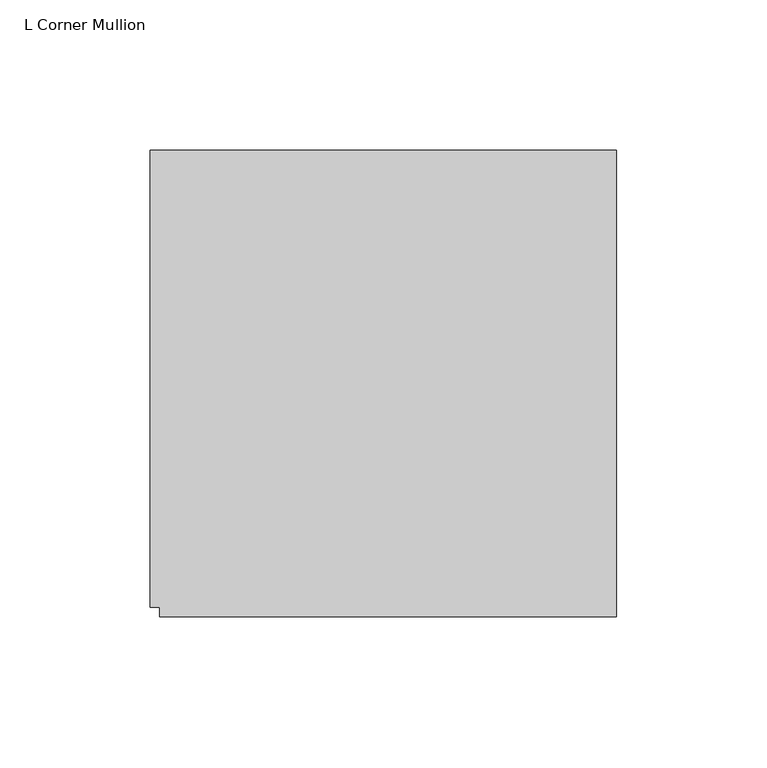
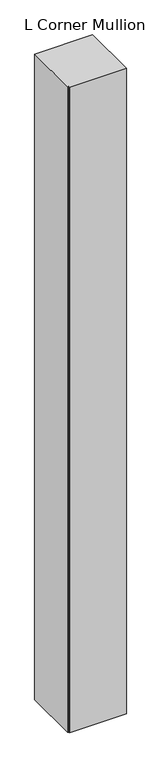
"""IFC4 building model written with IfcOpenShell, lengths in millimetres: member geometry, L Corner Mullion."""

import ifcopenshell
import ifcopenshell.guid

model = None  # the IFC model being written
_history = None  # IfcOwnerHistory: only IFC2X3 demands one
_inside = {}  # id of a spatial element -> (the spatial element, [elements in it])
_under = {}  # id of a project, library or spatial element -> (it, [spatial elements below it])
_declared = {}  # id of a project -> (the project, [libraries it declares])
_typed = {}  # id of a type object -> (the type object, [elements of that type])
_made_of = {}  # id of a material, layer set ... -> (it, [elements and type objects made of it])


def new_model(schema):
    """Start an empty IFC model of exactly this schema.

    Asked for "IFC4X3", IfcOpenShell would pick the latest addendum, in which some entities
    have other attributes; the version numbers below select the first issue.
    IFC2X3 requires an IfcOwnerHistory on every rooted entity: one is made here for all.
    """
    global model, _history
    if schema == "IFC4X3":
        model = ifcopenshell.file(schema_version=(4, 3, 0, 0))
    else:
        model = ifcopenshell.file(schema=schema)
    _inside.clear()
    _under.clear()
    _declared.clear()
    _typed.clear()
    _made_of.clear()
    _history = None
    if model.schema == "IFC2X3":
        org = make("IfcOrganization", Name="unknown")
        user = make(
            "IfcPersonAndOrganization",
            ThePerson=make("IfcPerson", FamilyName="unknown"),
            TheOrganization=org,
        )
        app = make(
            "IfcApplication",
            ApplicationDeveloper=org,
            Version="unknown",
            ApplicationFullName="unknown",
            ApplicationIdentifier="unknown",
        )
        _history = make(
            "IfcOwnerHistory",
            OwningUser=user,
            OwningApplication=app,
            ChangeAction="ADDED",
            CreationDate=0,
        )
    return model


def make(cls, **values):
    """One entity of the class cls with the attributes given. An attribute that is None is left unset."""
    return model.create_entity(
        cls, **{name: value for name, value in values.items() if value is not None}
    )


def rooted(cls, **values):
    """An entity with a GlobalId (a new one), such as an element, a storey or a relation."""
    return make(cls, GlobalId=ifcopenshell.guid.new(), OwnerHistory=_history, **values)


def si_unit(unit_type, name, prefix=None):
    """IfcSIUnit, for example si_unit("LENGTHUNIT", "METRE", prefix="MILLI")."""
    return make("IfcSIUnit", UnitType=unit_type, Prefix=prefix, Name=name)


def assignment(units):
    """IfcUnitAssignment: the units of a project."""
    return None if units is None else make("IfcUnitAssignment", Units=units)


def point(xyz):
    """IfcCartesianPoint."""
    return None if xyz is None else make("IfcCartesianPoint", Coordinates=xyz)


def direction(xyz):
    """IfcDirection."""
    return None if xyz is None else make("IfcDirection", DirectionRatios=xyz)


def frame(location, z_axis=None, x_axis=None):
    """IfcAxis2Placement3D, a coordinate frame: its origin and axes. An axis left out is left unset."""
    return make(
        "IfcAxis2Placement3D",
        Location=point(location),
        Axis=direction(z_axis),
        RefDirection=direction(x_axis),
    )


def origin():
    """The frame at (0, 0, 0) with its axes left unset."""
    return frame((0.0, 0.0, 0.0))


def place(relative_to, where):
    """IfcLocalPlacement: puts the frame where relative to a parent placement (None: the world)."""
    return make(
        "IfcLocalPlacement", PlacementRelTo=relative_to, RelativePlacement=where
    )


def context(
    kind, dimensions, precision=None, world=None, true_north=None, identifier=None
):
    """IfcGeometricRepresentationContext, for example the 3D "Model" context."""
    return make(
        "IfcGeometricRepresentationContext",
        ContextIdentifier=identifier,
        ContextType=kind,
        CoordinateSpaceDimension=dimensions,
        Precision=precision,
        WorldCoordinateSystem=world,
        TrueNorth=true_north,
    )


def project(units=None, contexts=None):
    """IfcProject with its units and contexts."""
    return rooted(
        "IfcProject",
        Name="project",
        RepresentationContexts=contexts,
        UnitsInContext=assignment(units),
    )


def spatial(cls, under=None, at=None, **own):
    """A site, building, storey or space (cls), placed at a placement, below another one or the project."""
    s = rooted(cls, ObjectPlacement=at, **own)
    if under is not None:
        _under.setdefault(under.id(), (under, []))[1].append(s)
    return s


def polyline(points):
    """IfcPolyline through the points."""
    return make("IfcPolyline", Points=[point(p) for p in points])


def outline(outer, holes=None, kind="AREA"):
    """IfcArbitraryClosedProfileDef: a profile drawn as a closed curve; with holes, ...WithVoids."""
    if holes is None:
        return make("IfcArbitraryClosedProfileDef", ProfileType=kind, OuterCurve=outer)
    return make(
        "IfcArbitraryProfileDefWithVoids",
        ProfileType=kind,
        OuterCurve=outer,
        InnerCurves=holes,
    )


def extrude(swept, where, along, depth):
    """IfcExtrudedAreaSolid: the profile swept, set in the frame where, extruded along a direction by depth."""
    return make(
        "IfcExtrudedAreaSolid",
        SweptArea=swept,
        Position=where,
        ExtrudedDirection=direction(along),
        Depth=depth,
    )


def shape(context_of_items, identifier, shape_type, items):
    """IfcShapeRepresentation: the items that make up one representation, for example the "Body"."""
    return make(
        "IfcShapeRepresentation",
        ContextOfItems=context_of_items,
        RepresentationIdentifier=identifier,
        RepresentationType=shape_type,
        Items=items,
    )


def source(mapping_origin, context_of_items, identifier, shape_type, items):
    """IfcRepresentationMap: a shape defined once, which mapped items show again and again."""
    return make(
        "IfcRepresentationMap",
        MappingOrigin=mapping_origin,
        MappedRepresentation=shape(context_of_items, identifier, shape_type, items),
    )


def transform(
    local_origin,
    x_axis=None,
    y_axis=None,
    z_axis=None,
    scale=None,
    scale2=None,
    scale3=None,
    uniform=True,
):
    """IfcCartesianTransformationOperator3D, or its non-uniform kind. x_axis, y_axis, z_axis: its Axis1, 2, 3."""
    if uniform:
        return make(
            "IfcCartesianTransformationOperator3D",
            Axis1=direction(x_axis),
            Axis2=direction(y_axis),
            LocalOrigin=point(local_origin),
            Scale=scale,
            Axis3=direction(z_axis),
        )
    return make(
        "IfcCartesianTransformationOperator3DnonUniform",
        Axis1=direction(x_axis),
        Axis2=direction(y_axis),
        LocalOrigin=point(local_origin),
        Scale=scale,
        Axis3=direction(z_axis),
        Scale2=scale2,
        Scale3=scale3,
    )


def mapped(mapping_source, mapping_target):
    """IfcMappedItem: shows the shape of a source again, moved by a transform."""
    return make(
        "IfcMappedItem", MappingSource=mapping_source, MappingTarget=mapping_target
    )


def made_of(thing, what):
    """Note that an element or type object is made of a material, layer set ...; save() writes the relation."""
    if what is not None:
        _made_of.setdefault(what.id(), (what, []))[1].append(thing)
    return thing


def element(
    cls,
    number,
    at=None,
    inside=None,
    cuts=None,
    type_object=None,
    material=None,
    context=None,
    identifier="Body",
    shape_type=None,
    held_by="IfcProductDefinitionShape",
    body=None,
    shapes=None,
    **own,
):
    """One element of the class cls, such as IfcWall. Its Tag is "e" and its number.

    at: its placement. inside: the storey or other place that contains it. cuts: it is an
    opening in that element (IfcRelVoidsElement). A single representation is given by context,
    identifier, shape_type and body (its items); several are given by shapes. held_by: the class
    of the entity that holds the representations. save() writes the other relations.
    """
    e = rooted(cls, Tag="e%d" % number, ObjectPlacement=at, **own)
    if body is not None:
        shapes = [shape(context, identifier, shape_type, body)]
    if shapes is not None:
        e.Representation = make(held_by, Representations=shapes)
    if inside is not None:
        _inside.setdefault(inside.id(), (inside, []))[1].append(e)
    if cuts is not None:
        rooted(
            "IfcRelVoidsElement", RelatingBuildingElement=cuts, RelatedOpeningElement=e
        )
    if type_object is not None:
        _typed.setdefault(type_object.id(), (type_object, []))[1].append(e)
    return made_of(e, material)


def aggregate(whole, parts):
    """IfcRelAggregates: a whole, such as a stair, and the parts it consists of."""
    return rooted("IfcRelAggregates", RelatingObject=whole, RelatedObjects=parts)


def save(model, path):
    """Write the relations noted so far, then the file.

    IfcRelAggregates (storeys below a building ...), IfcRelContainedInSpatialStructure (elements
    in a storey), IfcRelDefinesByType, IfcRelAssociatesMaterial and IfcRelDeclares: one each for
    every whole, place, type object, material and project.
    """
    for whole, parts in _under.values():
        aggregate(whole, parts)
    for where, things in _inside.values():
        rooted(
            "IfcRelContainedInSpatialStructure",
            RelatedElements=things,
            RelatingStructure=where,
        )
    for kind, things in _typed.values():
        rooted("IfcRelDefinesByType", RelatedObjects=things, RelatingType=kind)
    for what, things in _made_of.values():
        rooted("IfcRelAssociatesMaterial", RelatedObjects=things, RelatingMaterial=what)
    for by, libraries in _declared.values():
        rooted("IfcRelDeclares", RelatingContext=by, RelatedDefinitions=libraries)
    model.write(path)


def l_corner_mullion_0ecbd8b2(model_context):
    return source(origin(), model_context, "Body", "SweptSolid", [
        extrude(outline(polyline([(-114.3, -117.475), (-114.3, -114.3), (-117.475, -114.3), (-117.475, 38.1), (38.1, 38.1), (38.1, -117.475), (-114.3, -117.475)])), frame((0.0, 0.0, -1828.8), z_axis=(0.0, 0.0, 1.0), x_axis=(1.0, 0.0, 0.0)), (0.0, 0.0, 1.0), 1828.8),
    ])


if __name__ == "__main__":
    model = new_model("IFC4")
    model_context = context("Model", 3, world=origin())
    ifc_project = project(units=[si_unit("LENGTHUNIT", "METRE", prefix="MILLI")], contexts=[model_context])
    site = spatial("IfcSite", under=ifc_project)
    building = spatial("IfcBuilding", under=site)
    placement = place(None, origin())
    l_corner_mullion_shape = l_corner_mullion_0ecbd8b2(model_context)
    element("IfcMember", 1, ObjectType="L Corner Mullion", at=placement, inside=building, context=model_context, shape_type="MappedRepresentation", body=[
        mapped(l_corner_mullion_shape, transform((0.0, 0.0, 0.0), x_axis=(1.0, 0.0, 0.0), y_axis=(0.0, 1.0, 0.0), z_axis=(0.0, 0.0, 1.0))),
    ])
    save(model, "model.ifc")
